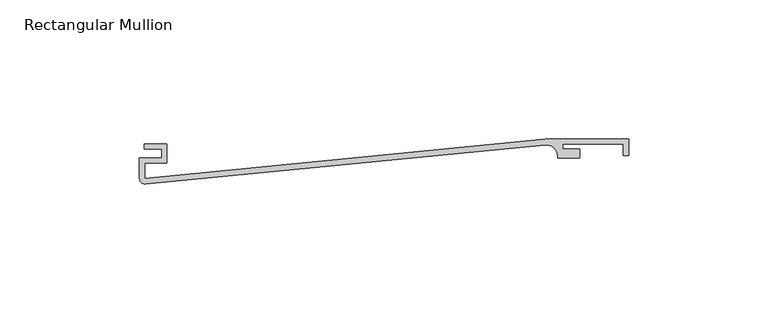
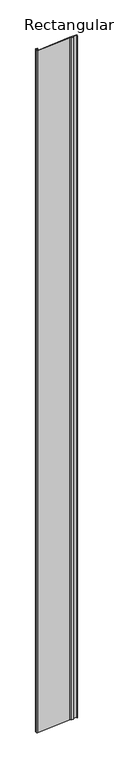
"""IFC4 building model written with IfcOpenShell, lengths in millimetres: member geometry, Rectangular Mullion."""

import ifcopenshell
import ifcopenshell.guid

model = None  # the IFC model being written
_history = None  # IfcOwnerHistory: only IFC2X3 demands one
_inside = {}  # id of a spatial element -> (the spatial element, [elements in it])
_under = {}  # id of a project, library or spatial element -> (it, [spatial elements below it])
_declared = {}  # id of a project -> (the project, [libraries it declares])
_typed = {}  # id of a type object -> (the type object, [elements of that type])
_made_of = {}  # id of a material, layer set ... -> (it, [elements and type objects made of it])


def new_model(schema):
    """Start an empty IFC model of exactly this schema.

    Asked for "IFC4X3", IfcOpenShell would pick the latest addendum, in which some entities
    have other attributes; the version numbers below select the first issue.
    IFC2X3 requires an IfcOwnerHistory on every rooted entity: one is made here for all.
    """
    global model, _history
    if schema == "IFC4X3":
        model = ifcopenshell.file(schema_version=(4, 3, 0, 0))
    else:
        model = ifcopenshell.file(schema=schema)
    _inside.clear()
    _under.clear()
    _declared.clear()
    _typed.clear()
    _made_of.clear()
    _history = None
    if model.schema == "IFC2X3":
        org = make("IfcOrganization", Name="unknown")
        user = make(
            "IfcPersonAndOrganization",
            ThePerson=make("IfcPerson", FamilyName="unknown"),
            TheOrganization=org,
        )
        app = make(
            "IfcApplication",
            ApplicationDeveloper=org,
            Version="unknown",
            ApplicationFullName="unknown",
            ApplicationIdentifier="unknown",
        )
        _history = make(
            "IfcOwnerHistory",
            OwningUser=user,
            OwningApplication=app,
            ChangeAction="ADDED",
            CreationDate=0,
        )
    return model


def make(cls, **values):
    """One entity of the class cls with the attributes given. An attribute that is None is left unset."""
    return model.create_entity(
        cls, **{name: value for name, value in values.items() if value is not None}
    )


def rooted(cls, **values):
    """An entity with a GlobalId (a new one), such as an element, a storey or a relation."""
    return make(cls, GlobalId=ifcopenshell.guid.new(), OwnerHistory=_history, **values)


def si_unit(unit_type, name, prefix=None):
    """IfcSIUnit, for example si_unit("LENGTHUNIT", "METRE", prefix="MILLI")."""
    return make("IfcSIUnit", UnitType=unit_type, Prefix=prefix, Name=name)


def assignment(units):
    """IfcUnitAssignment: the units of a project."""
    return None if units is None else make("IfcUnitAssignment", Units=units)


def point(xyz):
    """IfcCartesianPoint."""
    return None if xyz is None else make("IfcCartesianPoint", Coordinates=xyz)


def direction(xyz):
    """IfcDirection."""
    return None if xyz is None else make("IfcDirection", DirectionRatios=xyz)


def frame(location, z_axis=None, x_axis=None):
    """IfcAxis2Placement3D, a coordinate frame: its origin and axes. An axis left out is left unset."""
    return make(
        "IfcAxis2Placement3D",
        Location=point(location),
        Axis=direction(z_axis),
        RefDirection=direction(x_axis),
    )


def frame_2d(location, x_axis=None):
    """IfcAxis2Placement2D, a coordinate frame in the plane: its origin and x axis."""
    return make(
        "IfcAxis2Placement2D", Location=point(location), RefDirection=direction(x_axis)
    )


def origin():
    """The frame at (0, 0, 0) with its axes left unset."""
    return frame((0.0, 0.0, 0.0))


def place(relative_to, where):
    """IfcLocalPlacement: puts the frame where relative to a parent placement (None: the world)."""
    return make(
        "IfcLocalPlacement", PlacementRelTo=relative_to, RelativePlacement=where
    )


def context(
    kind, dimensions, precision=None, world=None, true_north=None, identifier=None
):
    """IfcGeometricRepresentationContext, for example the 3D "Model" context."""
    return make(
        "IfcGeometricRepresentationContext",
        ContextIdentifier=identifier,
        ContextType=kind,
        CoordinateSpaceDimension=dimensions,
        Precision=precision,
        WorldCoordinateSystem=world,
        TrueNorth=true_north,
    )


def project(units=None, contexts=None):
    """IfcProject with its units and contexts."""
    return rooted(
        "IfcProject",
        Name="project",
        RepresentationContexts=contexts,
        UnitsInContext=assignment(units),
    )


def spatial(cls, under=None, at=None, **own):
    """A site, building, storey or space (cls), placed at a placement, below another one or the project."""
    s = rooted(cls, ObjectPlacement=at, **own)
    if under is not None:
        _under.setdefault(under.id(), (under, []))[1].append(s)
    return s


def polyline(points):
    """IfcPolyline through the points."""
    return make("IfcPolyline", Points=[point(p) for p in points])


def circle_curve(where, radius):
    """IfcCircle in the frame where."""
    return make("IfcCircle", Position=where, Radius=radius)


def trimmed(basis, trim1, trim2, sense, master):
    """IfcTrimmedCurve: the piece of a basis curve between two trims."""
    return make(
        "IfcTrimmedCurve",
        BasisCurve=basis,
        Trim1=trim1,
        Trim2=trim2,
        SenseAgreement=sense,
        MasterRepresentation=master,
    )


def segment(curve, same_sense, transition):
    """IfcCompositeCurveSegment."""
    return make(
        "IfcCompositeCurveSegment",
        Transition=transition,
        SameSense=same_sense,
        ParentCurve=curve,
    )


def composite_curve(segments, self_intersect=None):
    """IfcCompositeCurve: segments joined end to end."""
    return make("IfcCompositeCurve", Segments=segments, SelfIntersect=self_intersect)


def outline(outer, holes=None, kind="AREA"):
    """IfcArbitraryClosedProfileDef: a profile drawn as a closed curve; with holes, ...WithVoids."""
    if holes is None:
        return make("IfcArbitraryClosedProfileDef", ProfileType=kind, OuterCurve=outer)
    return make(
        "IfcArbitraryProfileDefWithVoids",
        ProfileType=kind,
        OuterCurve=outer,
        InnerCurves=holes,
    )


def extrude(swept, where, along, depth):
    """IfcExtrudedAreaSolid: the profile swept, set in the frame where, extruded along a direction by depth."""
    return make(
        "IfcExtrudedAreaSolid",
        SweptArea=swept,
        Position=where,
        ExtrudedDirection=direction(along),
        Depth=depth,
    )


def shape(context_of_items, identifier, shape_type, items):
    """IfcShapeRepresentation: the items that make up one representation, for example the "Body"."""
    return make(
        "IfcShapeRepresentation",
        ContextOfItems=context_of_items,
        RepresentationIdentifier=identifier,
        RepresentationType=shape_type,
        Items=items,
    )


def source(mapping_origin, context_of_items, identifier, shape_type, items):
    """IfcRepresentationMap: a shape defined once, which mapped items show again and again."""
    return make(
        "IfcRepresentationMap",
        MappingOrigin=mapping_origin,
        MappedRepresentation=shape(context_of_items, identifier, shape_type, items),
    )


def transform(
    local_origin,
    x_axis=None,
    y_axis=None,
    z_axis=None,
    scale=None,
    scale2=None,
    scale3=None,
    uniform=True,
):
    """IfcCartesianTransformationOperator3D, or its non-uniform kind. x_axis, y_axis, z_axis: its Axis1, 2, 3."""
    if uniform:
        return make(
            "IfcCartesianTransformationOperator3D",
            Axis1=direction(x_axis),
            Axis2=direction(y_axis),
            LocalOrigin=point(local_origin),
            Scale=scale,
            Axis3=direction(z_axis),
        )
    return make(
        "IfcCartesianTransformationOperator3DnonUniform",
        Axis1=direction(x_axis),
        Axis2=direction(y_axis),
        LocalOrigin=point(local_origin),
        Scale=scale,
        Axis3=direction(z_axis),
        Scale2=scale2,
        Scale3=scale3,
    )


def mapped(mapping_source, mapping_target):
    """IfcMappedItem: shows the shape of a source again, moved by a transform."""
    return make(
        "IfcMappedItem", MappingSource=mapping_source, MappingTarget=mapping_target
    )


def made_of(thing, what):
    """Note that an element or type object is made of a material, layer set ...; save() writes the relation."""
    if what is not None:
        _made_of.setdefault(what.id(), (what, []))[1].append(thing)
    return thing


def element(
    cls,
    number,
    at=None,
    inside=None,
    cuts=None,
    type_object=None,
    material=None,
    context=None,
    identifier="Body",
    shape_type=None,
    held_by="IfcProductDefinitionShape",
    body=None,
    shapes=None,
    **own,
):
    """One element of the class cls, such as IfcWall. Its Tag is "e" and its number.

    at: its placement. inside: the storey or other place that contains it. cuts: it is an
    opening in that element (IfcRelVoidsElement). A single representation is given by context,
    identifier, shape_type and body (its items); several are given by shapes. held_by: the class
    of the entity that holds the representations. save() writes the other relations.
    """
    e = rooted(cls, Tag="e%d" % number, ObjectPlacement=at, **own)
    if body is not None:
        shapes = [shape(context, identifier, shape_type, body)]
    if shapes is not None:
        e.Representation = make(held_by, Representations=shapes)
    if inside is not None:
        _inside.setdefault(inside.id(), (inside, []))[1].append(e)
    if cuts is not None:
        rooted(
            "IfcRelVoidsElement", RelatingBuildingElement=cuts, RelatedOpeningElement=e
        )
    if type_object is not None:
        _typed.setdefault(type_object.id(), (type_object, []))[1].append(e)
    return made_of(e, material)


def aggregate(whole, parts):
    """IfcRelAggregates: a whole, such as a stair, and the parts it consists of."""
    return rooted("IfcRelAggregates", RelatingObject=whole, RelatedObjects=parts)


def save(model, path):
    """Write the relations noted so far, then the file.

    IfcRelAggregates (storeys below a building ...), IfcRelContainedInSpatialStructure (elements
    in a storey), IfcRelDefinesByType, IfcRelAssociatesMaterial and IfcRelDeclares: one each for
    every whole, place, type object, material and project.
    """
    for whole, parts in _under.values():
        aggregate(whole, parts)
    for where, things in _inside.values():
        rooted(
            "IfcRelContainedInSpatialStructure",
            RelatedElements=things,
            RelatingStructure=where,
        )
    for kind, things in _typed.values():
        rooted("IfcRelDefinesByType", RelatedObjects=things, RelatingType=kind)
    for what, things in _made_of.values():
        rooted("IfcRelAssociatesMaterial", RelatedObjects=things, RelatingMaterial=what)
    for by, libraries in _declared.values():
        rooted("IfcRelDeclares", RelatingContext=by, RelatedDefinitions=libraries)
    model.write(path)


def rectangular_mullion_22ff5c6d(model_context):
    return source(origin(), model_context, "Body", "SweptSolid", [
        extrude(outline(composite_curve([segment(polyline([(45.6094086, -2.0191159), (-97.8047043, -16.0904421)]), True, "CONTINUOUS"), segment(trimmed(circle_curve(frame_2d((-98.0, -14.1)), 2.0), [point((-97.8047043, -16.0904421))], [point((-100.0, -14.1))], False, "CARTESIAN"), True, "CONTINUOUS"), segment(polyline([(-100.0, -14.1), (-100.0, -6.85), (-92.0, -6.85), (-92.0, -3.6), (-98.2, -3.6), (-98.2, -1.8), (-90.2, -1.8), (-90.2, -8.65), (-98.0, -8.65), (-98.0, -14.1000059), (45.686872, 0.0), (75.5, 0.0), (75.5, -5.8), (73.5, -5.8), (73.5, -1.8), (51.8, -1.8), (51.8, -3.6), (58.0, -3.6), (58.0, -6.85), (50.0, -6.85), (50.0, -6.0)]), True, "CONTINUOUS"), segment(trimmed(circle_curve(frame_2d((46.0, -6.0)), 4.0), [point((50.0, -6.0))], [point((45.6094086, -2.0191159))], True, "CARTESIAN"), True, "CONTINUOUS")], self_intersect=False)), frame((0.0, 0.0, -3000.0), z_axis=(0.0, 0.0, 1.0), x_axis=(1.0, 0.0, 0.0)), (0.0, 0.0, 1.0), 3000.0),
    ])


if __name__ == "__main__":
    model = new_model("IFC4")
    model_context = context("Model", 3, world=origin())
    ifc_project = project(units=[si_unit("LENGTHUNIT", "METRE", prefix="MILLI")], contexts=[model_context])
    site = spatial("IfcSite", under=ifc_project)
    building = spatial("IfcBuilding", under=site)
    placement = place(None, origin())
    rectangular_mullion_shape = rectangular_mullion_22ff5c6d(model_context)
    element("IfcMember", 1, ObjectType="Rectangular Mullion", at=placement, inside=building, context=model_context, shape_type="MappedRepresentation", body=[
        mapped(rectangular_mullion_shape, transform((0.0, 0.0, 0.0), x_axis=(1.0, 0.0, 0.0), y_axis=(0.0, 1.0, 0.0), z_axis=(0.0, 0.0, 1.0))),
    ])
    save(model, "model.ifc")
